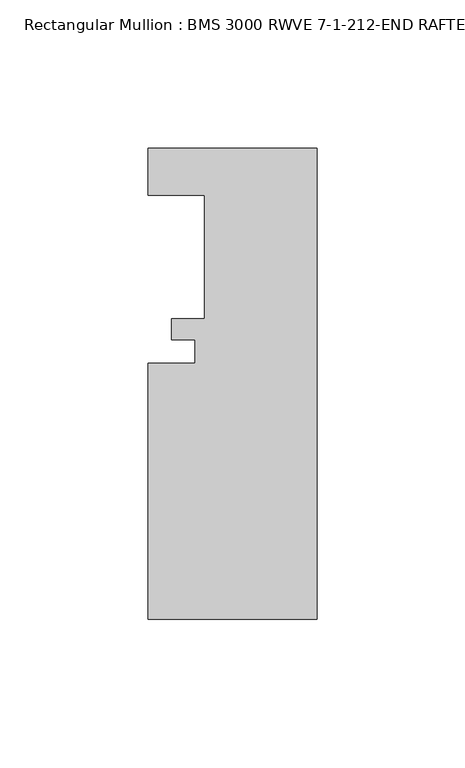
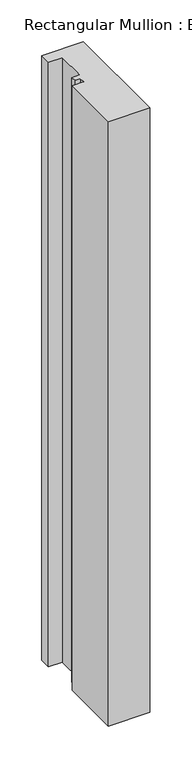
"""IFC4 building model written with IfcOpenShell, lengths in millimetres: member geometry, Rectangular Mullion : BMS 3000 RWVE 7-1-212-END RAFTER-HORIZ."""

from ifc_helpers import new_model, si_unit, frame, origin, place, context, project, spatial, polyline, outline, extrude, source, transform, mapped, element, save


def rectangular_mullion_bms_3000_rwve_7_1_212_end_rafter_horiz_ef57b1a1(model_context):
    return source(origin(), model_context, "Body", "SweptSolid", [
        extrude(outline(polyline([(-57.15, -152.9953125), (-57.15, -66.4575125), (-41.275, -66.4575125), (-41.275, -58.5581125), (-49.2252, -58.5581125), (-49.2252, -51.3953125), (-38.1, -51.3953125), (-38.1, -9.7393125), (-57.15, -9.7393125), (-57.15, 6.1356875), (0.0, 6.1356875), (0.0, -152.9953125), (-57.15, -152.9953125)])), frame((0.0, 0.0, -882.65), z_axis=(0.0, 0.0, 1.0), x_axis=(1.0, 0.0, 0.0)), (0.0, 0.0, 1.0), 882.65),
    ])


if __name__ == "__main__":
    model = new_model("IFC4")
    model_context = context("Model", 3, world=origin())
    ifc_project = project(units=[si_unit("LENGTHUNIT", "METRE", prefix="MILLI")], contexts=[model_context])
    site = spatial("IfcSite", under=ifc_project)
    building = spatial("IfcBuilding", under=site)
    placement = place(None, origin())
    rectangular_mullion_bms_3000_rwve_7_1_212_end_rafter_horiz_shape = rectangular_mullion_bms_3000_rwve_7_1_212_end_rafter_horiz_ef57b1a1(model_context)
    element("IfcMember", 1, ObjectType="Rectangular Mullion : BMS 3000 RWVE 7-1-212-END RAFTER-HORIZ", at=placement, inside=building, context=model_context, shape_type="MappedRepresentation", body=[
        mapped(rectangular_mullion_bms_3000_rwve_7_1_212_end_rafter_horiz_shape, transform((0.0, 0.0, 0.0), x_axis=(1.0, 0.0, 0.0), y_axis=(0.0, 1.0, 0.0), z_axis=(0.0, 0.0, 1.0))),
    ])
    save(model, "model.ifc")
